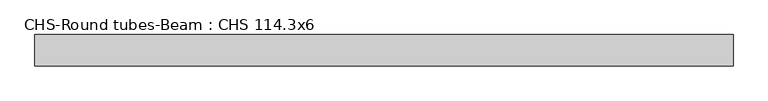
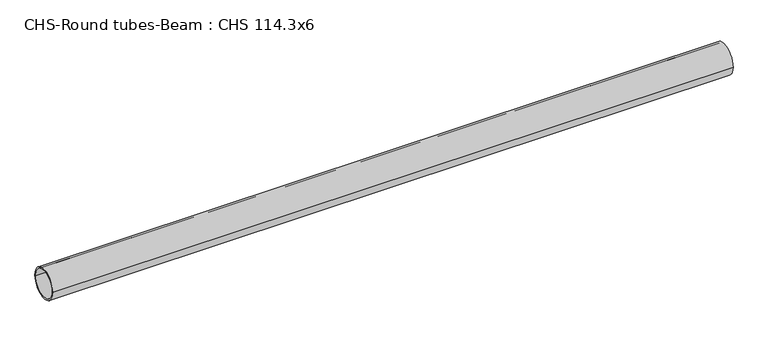
"""IFC4 building model written with IfcOpenShell, lengths in millimetres: beam geometry, CHS-Round tubes-Beam : CHS 114.3x6."""

from ifc_helpers import new_model, si_unit, point, frame, origin, origin_2d, place, context, project, spatial, circle_curve, trimmed, segment, composite_curve, outline, extrude, source, transform, mapped, element, save


def chs_round_tubes_beam_chs_114_3x6_4f5b60bb(model_context):
    return source(origin(), model_context, "Body", "SweptSolid", [
        extrude(outline(composite_curve([segment(trimmed(circle_curve(origin_2d(), 57.15), [point((57.15, 0.0))], [point((-57.15, 0.0))], False, "CARTESIAN"), True, "CONTINUOUS"), segment(trimmed(circle_curve(origin_2d(), 57.15), [point((-57.15, 0.0))], [point((57.15, 0.0))], False, "CARTESIAN"), True, "CONTINUOUS")], self_intersect=False), holes=[composite_curve([segment(trimmed(circle_curve(origin_2d(), 51.15), [point((51.15, 0.0))], [point((-51.15, 0.0))], True, "CARTESIAN"), True, "CONTINUOUS"), segment(trimmed(circle_curve(origin_2d(), 51.15), [point((-51.15, 0.0))], [point((51.15, 0.0))], True, "CARTESIAN"), True, "CONTINUOUS")], self_intersect=False)]), frame((-1193.8099427, 0.0, 0.0), z_axis=(1.0, 0.0, 0.0), x_axis=(0.0, 1.0, 0.0)), (0.0, 0.0, 1.0), 2527.7861485),
    ])


if __name__ == "__main__":
    model = new_model("IFC4")
    model_context = context("Model", 3, world=origin())
    ifc_project = project(units=[si_unit("LENGTHUNIT", "METRE", prefix="MILLI")], contexts=[model_context])
    site = spatial("IfcSite", under=ifc_project)
    building = spatial("IfcBuilding", under=site)
    placement = place(None, origin())
    chs_round_tubes_beam_chs_114_3x6_shape = chs_round_tubes_beam_chs_114_3x6_4f5b60bb(model_context)
    element("IfcBeam", 1, ObjectType="CHS-Round tubes-Beam : CHS 114.3x6", at=placement, inside=building, context=model_context, shape_type="MappedRepresentation", body=[
        mapped(chs_round_tubes_beam_chs_114_3x6_shape, transform((0.0, 0.0, 0.0), x_axis=(1.0, 0.0, 0.0), y_axis=(0.0, 1.0, 0.0), z_axis=(0.0, 0.0, 1.0))),
    ])
    save(model, "model.ifc")
